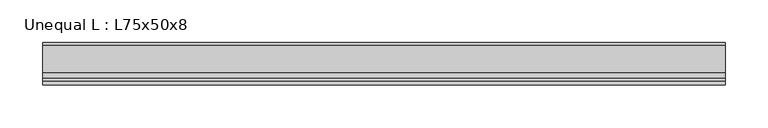
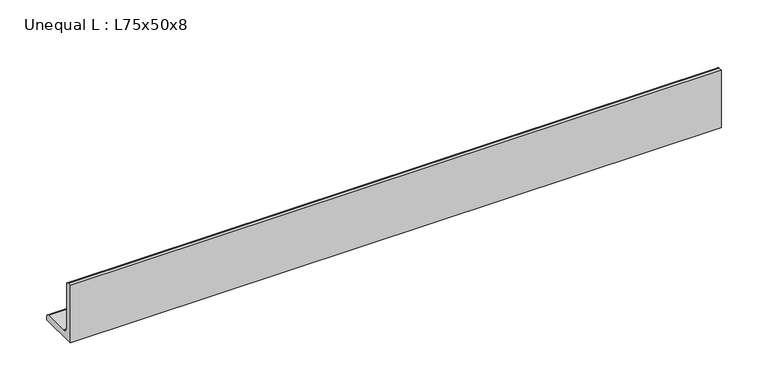
"""IFC4 building model written with IfcOpenShell, lengths in millimetres: beam geometry, Unequal L : L75x50x8."""

from ifc_helpers import new_model, si_unit, point, frame, frame_2d, origin, place, context, project, spatial, polyline, circle_curve, trimmed, segment, composite_curve, outline, extrude, source, transform, mapped, element, save


def unequal_l_l75x50x8_2d719fd4(model_context):
    return source(origin(), model_context, "Body", "SweptSolid", [
        extrude(outline(composite_curve([segment(polyline([(-12.9, -25.2), (-12.9, 49.8), (-8.4, 49.8)]), True, "CONTINUOUS"), segment(trimmed(circle_curve(frame_2d((-8.4, 46.3)), 3.5), [point((-8.4, 49.8))], [point((-4.9, 46.3))], False, "CARTESIAN"), True, "CONTINUOUS"), segment(polyline([(-4.9, 46.3), (-4.9, -10.2)]), True, "CONTINUOUS"), segment(trimmed(circle_curve(frame_2d((2.1, -10.2)), 7.0), [point((-4.9, -10.2))], [point((2.1, -17.2))], True, "CARTESIAN"), True, "CONTINUOUS"), segment(polyline([(2.1, -17.2), (33.6, -17.2)]), True, "CONTINUOUS"), segment(trimmed(circle_curve(frame_2d((33.6, -20.7)), 3.5), [point((33.6, -17.2))], [point((37.1, -20.7))], False, "CARTESIAN"), True, "CONTINUOUS"), segment(polyline([(37.1, -20.7), (37.1, -25.2), (-12.9, -25.2)]), True, "CONTINUOUS")], self_intersect=False)), frame((-400.0, 0.0, 0.0), z_axis=(1.0, 0.0, 0.0), x_axis=(0.0, 1.0, 0.0)), (0.0, 0.0, 1.0), 800.0),
    ])


if __name__ == "__main__":
    model = new_model("IFC4")
    model_context = context("Model", 3, world=origin())
    ifc_project = project(units=[si_unit("LENGTHUNIT", "METRE", prefix="MILLI")], contexts=[model_context])
    site = spatial("IfcSite", under=ifc_project)
    building = spatial("IfcBuilding", under=site)
    placement = place(None, origin())
    unequal_l_l75x50x8_shape = unequal_l_l75x50x8_2d719fd4(model_context)
    element("IfcBeam", 1, ObjectType="Unequal L : L75x50x8", at=placement, inside=building, context=model_context, shape_type="MappedRepresentation", body=[
        mapped(unequal_l_l75x50x8_shape, transform((0.0, 0.0, 0.0), x_axis=(1.0, 0.0, 0.0), y_axis=(0.0, 1.0, 0.0), z_axis=(0.0, 0.0, 1.0))),
    ])
    save(model, "model.ifc")
